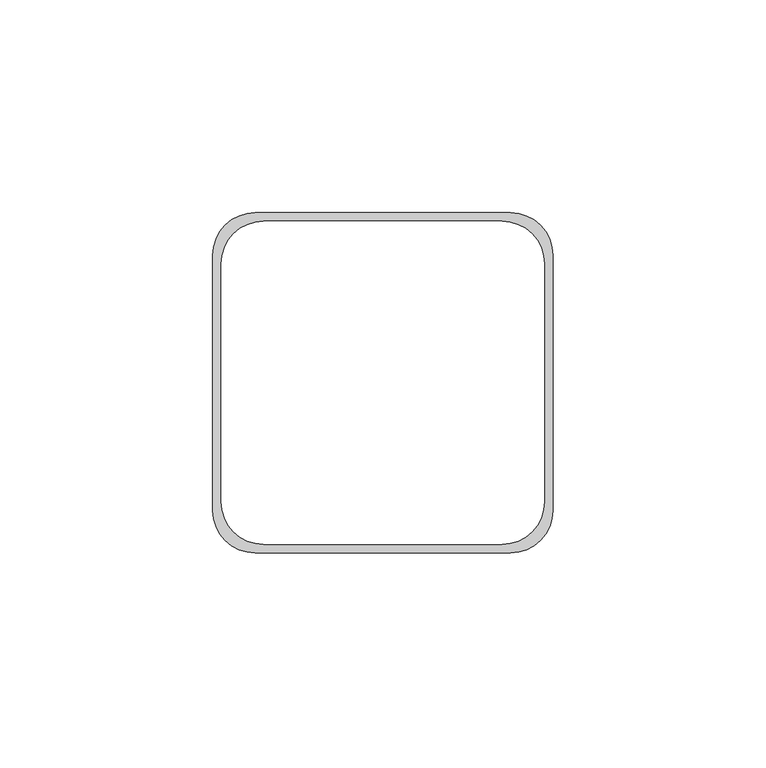
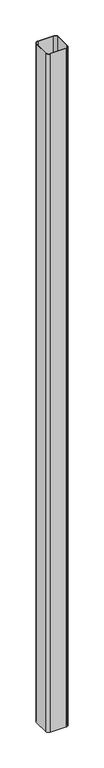
"""IFC4 building model written with IfcOpenShell, lengths in millimetres: proxy geometry."""

from ifc_helpers import new_model, si_unit, point, frame, frame_2d, origin, place, context, project, spatial, polyline, circle_curve, trimmed, segment, composite_curve, outline, extrude, source, transform, mapped, element, save


def generic_models_8f0460c9(model_context):
    return source(origin(), model_context, "Body", "SweptSolid", [
        extrude(outline(composite_curve([segment(trimmed(circle_curve(frame_2d((-30.0, -30.0)), 10.0), [point((-30.0, -40.0))], [point((-40.0, -30.0))], False, "CARTESIAN"), True, "CONTINUOUS"), segment(polyline([(-40.0, -30.0), (-40.0, 30.0)]), True, "CONTINUOUS"), segment(trimmed(circle_curve(frame_2d((-30.0, 30.0)), 10.0), [point((-40.0, 30.0))], [point((-30.0, 40.0))], False, "CARTESIAN"), True, "CONTINUOUS"), segment(polyline([(-30.0, 40.0), (30.0, 40.0)]), True, "CONTINUOUS"), segment(trimmed(circle_curve(frame_2d((30.0, 30.0)), 10.0), [point((30.0, 40.0))], [point((40.0, 30.0))], False, "CARTESIAN"), True, "CONTINUOUS"), segment(polyline([(40.0, 30.0), (40.0, -30.0)]), True, "CONTINUOUS"), segment(trimmed(circle_curve(frame_2d((30.0, -30.0)), 10.0), [point((40.0, -30.0))], [point((30.0, -40.0))], False, "CARTESIAN"), True, "CONTINUOUS"), segment(polyline([(30.0, -40.0), (-30.0, -40.0)]), True, "CONTINUOUS")], self_intersect=False), holes=[composite_curve([segment(polyline([(-28.0, -38.0), (28.0, -38.0)]), True, "CONTINUOUS"), segment(trimmed(circle_curve(frame_2d((28.0, -28.0)), 10.0), [point((28.0, -38.0))], [point((38.0, -28.0))], True, "CARTESIAN"), True, "CONTINUOUS"), segment(polyline([(38.0, -28.0), (38.0, 28.0)]), True, "CONTINUOUS"), segment(trimmed(circle_curve(frame_2d((28.0, 28.0)), 10.0), [point((38.0, 28.0))], [point((28.0, 38.0))], True, "CARTESIAN"), True, "CONTINUOUS"), segment(polyline([(28.0, 38.0), (-28.0, 38.0)]), True, "CONTINUOUS"), segment(trimmed(circle_curve(frame_2d((-28.0, 28.0)), 10.0), [point((-28.0, 38.0))], [point((-38.0, 28.0))], True, "CARTESIAN"), True, "CONTINUOUS"), segment(polyline([(-38.0, 28.0), (-38.0, -28.0)]), True, "CONTINUOUS"), segment(trimmed(circle_curve(frame_2d((-28.0, -28.0)), 10.0), [point((-38.0, -28.0))], [point((-28.0, -38.0))], True, "CARTESIAN"), True, "CONTINUOUS")], self_intersect=False)]), frame((0.0, 0.0, 3060.0), z_axis=(0.0, 0.0, 1.0), x_axis=(1.0, 0.0, 0.0)), (0.0, 0.0, 1.0), 2609.9999999),
    ])


if __name__ == "__main__":
    model = new_model("IFC4")
    model_context = context("Model", 3, world=origin())
    ifc_project = project(units=[si_unit("LENGTHUNIT", "METRE", prefix="MILLI")], contexts=[model_context])
    site = spatial("IfcSite", under=ifc_project)
    building = spatial("IfcBuilding", under=site)
    placement = place(None, origin())
    generic_models_shape = generic_models_8f0460c9(model_context)
    element("IfcBuildingElementProxy", 1, Name="Generic Models", at=placement, inside=building, context=model_context, shape_type="MappedRepresentation", body=[
        mapped(generic_models_shape, transform((0.0, 0.0, 0.0), x_axis=(1.0, 0.0, 0.0), y_axis=(0.0, 1.0, 0.0), z_axis=(0.0, 0.0, 1.0))),
    ])
    save(model, "model.ifc")
